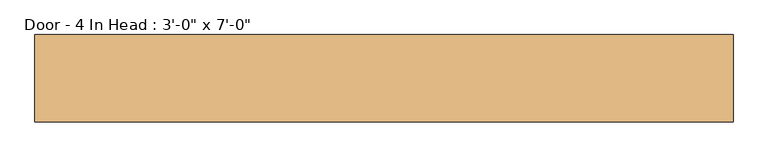
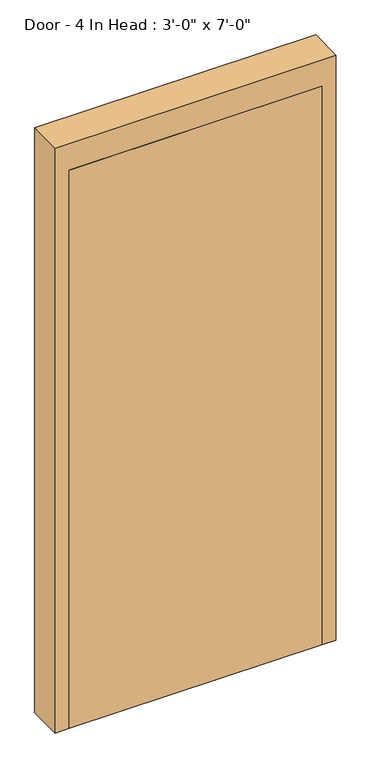
"""IFC4 building model written with IfcOpenShell, lengths in millimetres: door geometry."""

from ifc_helpers import new_model, si_unit, origin, origin_with_axes, place, context, project, spatial, polyline, outline, extrude, faceted_brep, source, transform, mapped, element, save


def door_e62f086c(model_context):
    return source(origin(), model_context, "Body", "SolidModel", [
        extrude(outline(polyline([(457.2, -76.2), (-457.2, -76.2), (-457.2, -31.75), (457.2, -31.75), (457.2, -76.2)])), origin_with_axes(), (0.0, 0.0, 1.0), 2133.6),
        faceted_brep([(-508.0, -76.2, 2235.2), (508.0, -76.2, 2235.2), (508.0, 50.8, 2235.2), (-508.0, 50.8, 2235.2), (-457.2, 50.8, 0.0), (-457.2, 11.1125, 0.0), (-441.325, 11.1125, 0.0), (-441.325, -26.9875, 0.0), (-457.2, -26.9875, 0.0), (-457.2, -76.2, 0.0), (-508.0, -76.2, 0.0), (-508.0, 50.8, 0.0), (-457.2, 50.8, 2133.6), (-457.2, 11.1125, 2133.6), (457.2, 11.1125, 2133.6), (457.2, 11.1125, 0.0), (441.325, 11.1125, 0.0), (441.325, 11.1125, 2117.725), (-441.325, 11.1125, 2117.725), (-441.325, -26.9875, 2117.725), (441.325, -26.9875, 2117.725), (441.325, -26.9875, 0.0), (457.2, -26.9875, 0.0), (457.2, -26.9875, 2133.6), (-457.2, -26.9875, 2133.6), (-457.2, -76.2, 2133.6), (457.2, -76.2, 2133.6), (457.2, -76.2, 0.0), (508.0, -76.2, 0.0), (508.0, 50.8, 0.0), (457.2, 50.8, 0.0), (457.2, 50.8, 2133.6)], [[[0, 1, 2, 3]], [[4, 5, 6, 7, 8, 9, 10, 11]], [[4, 12, 13, 5]], [[5, 13, 14, 15, 16, 17, 18, 6]], [[6, 18, 19, 7]], [[7, 19, 20, 21, 22, 23, 24, 8]], [[8, 24, 25, 9]], [[9, 25, 26, 27, 28, 1, 0, 10]], [[3, 11, 10, 0]], [[11, 3, 2, 29, 30, 31, 12, 4]], [[25, 24, 23, 26]], [[18, 17, 20, 19]], [[31, 14, 13, 12]], [[28, 27, 22, 21, 16, 15, 30, 29]], [[27, 26, 23, 22]], [[21, 20, 17, 16]], [[14, 31, 30, 15]], [[1, 28, 29, 2]]]),
    ])


if __name__ == "__main__":
    model = new_model("IFC4")
    model_context = context("Model", 3, world=origin())
    ifc_project = project(units=[si_unit("LENGTHUNIT", "METRE", prefix="MILLI")], contexts=[model_context])
    site = spatial("IfcSite", under=ifc_project)
    building = spatial("IfcBuilding", under=site)
    placement = place(None, origin())
    door_shape = door_e62f086c(model_context)
    element("IfcDoor", 1, ObjectType="Door - 4 In Head : 3'-0\" x 7'-0\"", at=placement, inside=building, context=model_context, shape_type="MappedRepresentation", body=[
        mapped(door_shape, transform((0.0, 0.0, 0.0), x_axis=(1.0, 0.0, 0.0), y_axis=(0.0, 1.0, 0.0), z_axis=(0.0, 0.0, 1.0))),
    ])
    save(model, "model.ifc")
